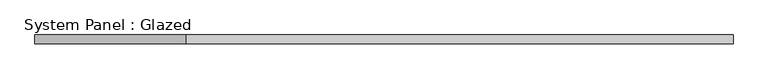
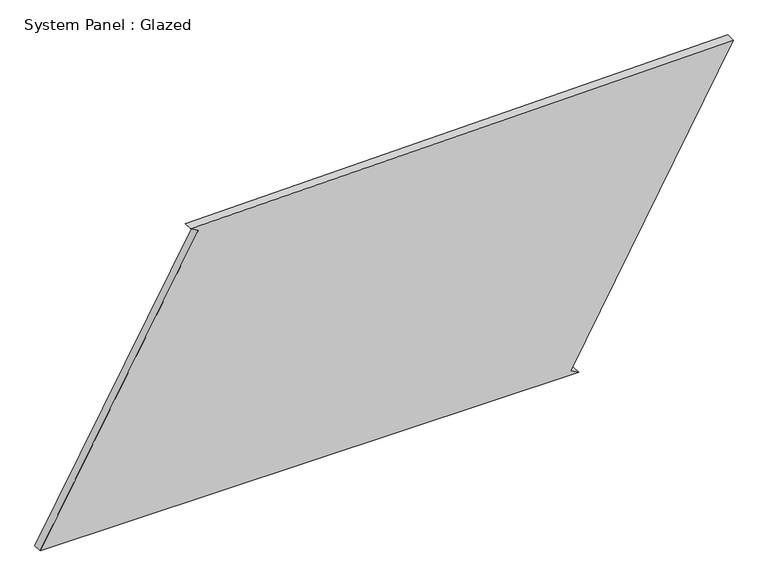
"""IFC4 building model written with IfcOpenShell, lengths in millimetres: plate geometry, System Panel : Glazed."""

from ifc_helpers import new_model, si_unit, frame, origin, place, context, project, spatial, polyline, outline, extrude, source, transform, mapped, element, save


def system_panel_glazed_abe34d94(model_context):
    return source(origin(), model_context, "Body", "SweptSolid", [
        extrude(outline(polyline([(0.0, -965.6368965), (0.0, 535.0763819), (12.1207065, 513.2111476), (828.2773423, 965.6368965), (801.6997411, -546.3888555), (789.5067752, -524.5638336), (0.0, -965.6368965)])), frame((0.0, -49.5, 0.0), z_axis=(0.0, 1.0, 0.0), x_axis=(0.0, 0.0, 1.0)), (0.0, 0.0, 1.0), 25.0),
    ])


if __name__ == "__main__":
    model = new_model("IFC4")
    model_context = context("Model", 3, world=origin())
    ifc_project = project(units=[si_unit("LENGTHUNIT", "METRE", prefix="MILLI")], contexts=[model_context])
    site = spatial("IfcSite", under=ifc_project)
    building = spatial("IfcBuilding", under=site)
    placement = place(None, origin())
    system_panel_glazed_shape = system_panel_glazed_abe34d94(model_context)
    element("IfcPlate", 1, ObjectType="System Panel : Glazed", at=placement, inside=building, context=model_context, shape_type="MappedRepresentation", body=[
        mapped(system_panel_glazed_shape, transform((0.0, 0.0, 0.0), x_axis=(1.0, 0.0, 0.0), y_axis=(0.0, 1.0, 0.0), z_axis=(0.0, 0.0, 1.0))),
    ])
    save(model, "model.ifc")
